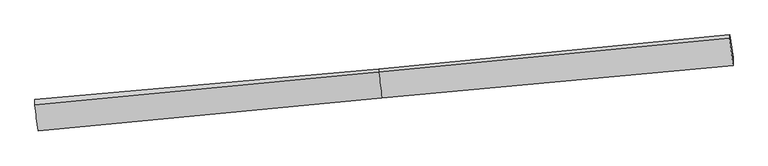
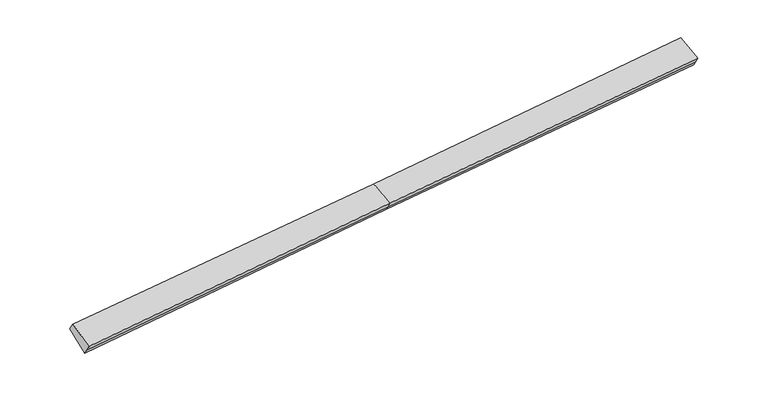
"""IFC4 building model written with IfcOpenShell, lengths in millimetres: proxy geometry."""

from ifc_helpers import new_model, si_unit, frame, origin, place, context, project, spatial, source, transform, mapped, element, save
from ifc_brep_helpers import plane_surface, spline_surface, advanced_brep


def generic_models_503c12c9(model_context):
    return source(origin(), model_context, "Body", "AdvancedBrep", [
        advanced_brep(
        [(-16568.2963187, -2622.0598991, 959.7841476), (-16571.0069166, -2888.1732339, 1380.6074733), (-181.2256294, -1317.69177, 2305.8245096), (-179.6447961, -1162.493239, 2060.3983944), (-16416.4573016, -3729.4291937, 246.1993368), (-38.8638164, -2195.6537674, 1407.972124), (-16418.1449212, -3895.111495, 508.2041592), (-40.1975803, -2326.5962313, 1615.0404514), (-16420.5024122, -4126.5585023, 874.2072362), (-42.4126676, -2544.062739, 1958.9352024), (16700.3571817, -778.0666232, 2702.103033), (16701.8814833, -628.418093, 2465.4535159), (16552.6386138, 466.8423761, 3157.0950212), (16550.9215335, 298.2677678, 3423.6736479), (16698.0780938, -1001.8163972, 3055.9339454)],
        [
            (0, 1),
            (1, 2),
            (2, 3),
            (3, 0),
            (4, 0),
            (0, 5),
            (5, 4),
            (6, 4),
            (5, 7),
            (7, 6),
            (8, 6),
            (7, 9),
            (9, 8),
            (1, 8),
            (9, 2),
            (10, 11),
            (11, 12),
            (12, 13),
            (13, 14),
            (14, 10),
            (3, 5),
            (5, 11),
            (10, 7),
            (3, 12),
            (2, 13),
            (9, 14),
        ],
        [
            plane_surface(frame((-16569.6516176, -2755.1165665, 1170.1958105), z_axis=(-0.11047943196626864, 0.8403367708856284, 0.5306867311417593), x_axis=(-0.005443934445409304, -0.5344590363254061, 0.8451768466231623))),
            plane_surface(frame((-16492.3768101, -3175.7445464, 602.9917422), z_axis=(0.008781623352143136, 0.5425024593233747, -0.8400083122918437), x_axis=(-0.11450095135567535, 0.8350609753238961, 0.5381103043333669))),
            plane_surface(frame((-16417.3011114, -3812.2703443, 377.201748), z_axis=(0.11626581307628975, -0.8397955313483255, -0.530307199872954), x_axis=(0.005443934445440084, 0.534459036325412, -0.8451768466231584))),
            plane_surface(frame((-16419.3236667, -4010.8349986, 691.2056977), z_axis=(0.11626581307628978, -0.8397955313483263, -0.5303071998729525), x_axis=(0.005443934445431133, 0.5344590363254097, -0.8451768466231598))),
            spline_surface(1, 1, [[(-16571.0069166, -2888.1732339, 1380.6074733), (-181.2256294, -1317.69177, 2305.8245096)], [(-16420.5024122, -4126.5585023, 874.2072362), (-42.4126676, -2544.062739, 1958.9352024)]], [2, 2], [2, 2], [0.0, 1.0], [0.0, 1.0]),
            plane_surface(frame((16625.8799311, -216.2810866, 3025.5390326), z_axis=(0.9934133928454482, 0.09384801516275086, 0.06574481702239067), x_axis=(0.0054439344454316205, 0.5344590363254104, -0.8451768466231595))),
            plane_surface(frame((-16494.0657373, -3341.5552072, 865.1995485), z_axis=(-0.9934133928454489, -0.09384801516275204, -0.06574481702237855), x_axis=(0.005443934445420631, 0.5344590363254108, -0.8451768466231593))),
            plane_surface(frame((-16568.2963187, -2622.0598991, 959.7841476), z_axis=(0.009113669312775428, 0.5348020738843703, -0.8449282116254813), x_axis=(-0.11445608106627157, 0.8399679092323273, 0.5304278621705535))),
            plane_surface(frame((-39.5306984, -2261.1249993, 1511.5062877), z_axis=(0.112171727727179, -0.8401814639294567, -0.5305776203045647), x_axis=(0.005443934445436728, 0.5344590363254105, -0.8451768466231593))),
            plane_surface(frame((-109.2543063, -1679.0735032, 1734.1852592), z_axis=(0.0033801003391429954, 0.5342629131315639, -0.8453116079729847), x_axis=(-0.11445608106627357, 0.8399679092323273, 0.5304278621705534))),
            plane_surface(frame((-180.4352128, -1240.0925045, 2183.111452), z_axis=(-0.11653123994699208, 0.8397700117741643, 0.5302893525625764), x_axis=(-0.005443934445464622, -0.5344590363254076, 0.845176846623161))),
            plane_surface(frame((-111.8191485, -1930.8772545, 2132.379856), z_axis=(-0.03751849423551351, -0.27591769610239003, 0.9604487428113221), x_axis=(0.10827636664617728, -0.956589291003286, -0.27057929847594253))),
            plane_surface(frame((-41.305124, -2435.3294851, 1786.9878269), z_axis=(0.11217172772717901, -0.8401814639294566, -0.5305776203045651), x_axis=(0.005443934445428205, 0.5344590363254101, -0.8451768466231596))),
        ],
        [
            (0, [[1, 2, 3, 4]]),
            (1, [[5, 6, 7]]),
            (2, [[8, -7, 9, 10]]),
            (3, [[11, -10, 12, 13]]),
            (4, [[14, -13, 15, -2]]),
            (5, [[16, 17, 18, 19, 20]]),
            (6, [[-1, -5, -8, -11, -14]]),
            (7, [[21, -6, -4]]),
            (8, [[-9, 22, -16, 23]]),
            (9, [[-21, 24, -17, -22]]),
            (10, [[-3, 25, -18, -24]]),
            (11, [[-15, 26, -19, -25]]),
            (12, [[-12, -23, -20, -26]]),
        ],
    ),
    ])


if __name__ == "__main__":
    model = new_model("IFC4")
    model_context = context("Model", 3, world=origin())
    ifc_project = project(units=[si_unit("LENGTHUNIT", "METRE", prefix="MILLI")], contexts=[model_context])
    site = spatial("IfcSite", under=ifc_project)
    building = spatial("IfcBuilding", under=site)
    placement = place(None, origin())
    generic_models_shape = generic_models_503c12c9(model_context)
    element("IfcBuildingElementProxy", 1, Name="Generic Models", at=placement, inside=building, context=model_context, shape_type="MappedRepresentation", body=[
        mapped(generic_models_shape, transform((0.0, 0.0, 0.0), x_axis=(1.0, 0.0, 0.0), y_axis=(0.0, 1.0, 0.0), z_axis=(0.0, 0.0, 1.0))),
    ])
    save(model, "model.ifc")
